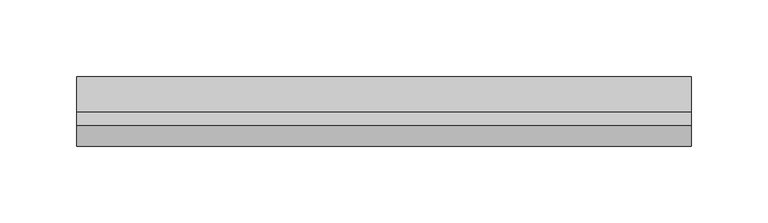
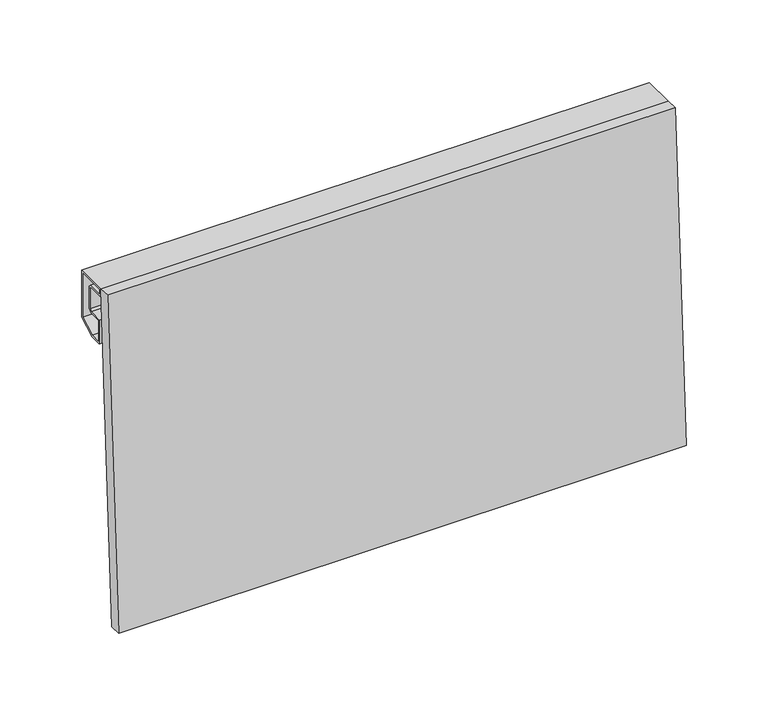
"""IFC4 building model written with IfcOpenShell, lengths in millimetres: plate geometry."""

from ifc_helpers import new_model, si_unit, frame, origin, place, context, project, spatial, polyline, outline, extrude, source, transform, mapped, element, save


def plate_1adcb541(model_context):
    return source(origin(), model_context, "Body", "SweptSolid", [
        extrude(outline(polyline([(0.0, 8.5), (400.0, 8.5), (400.0, 0.0), (0.0, 0.0), (0.0, 8.5)])), frame((200.0, -13.5334089, 0.0), z_axis=(0.0, 0.055379672542005536, 0.9984653683874771), x_axis=(-1.0, 0.0, 0.0)), (0.0, 0.0, 1.0), 244.3750256),
        extrude(outline(polyline([(23.0, 209.1685791), (10.3922729, 202.0), (1.5, 202.0), (1.5, 220.0), (11.5857849, 220.0), (13.0, 221.4142151), (13.0, 236.5857849), (11.5857849, 238.0), (0.0, 238.0), (0.0, 244.0), (23.0, 244.0), (23.0, 209.1685791)]), holes=[polyline([(1.5, 242.5), (1.5, 239.5), (12.2071053, 239.5), (14.5, 237.2071053), (14.5, 220.7928947), (12.2071053, 218.5), (3.0, 218.5), (3.0, 203.5), (9.9956483, 203.5), (21.5, 210.0412151), (21.5, 242.5), (1.5, 242.5)])]), frame((-200.0, 0.0, 0.0), z_axis=(1.0, 0.0, 0.0), x_axis=(0.0, 1.0, 0.0)), (0.0, 0.0, 1.0), 400.0),
    ])


if __name__ == "__main__":
    model = new_model("IFC4")
    model_context = context("Model", 3, world=origin())
    ifc_project = project(units=[si_unit("LENGTHUNIT", "METRE", prefix="MILLI")], contexts=[model_context])
    site = spatial("IfcSite", under=ifc_project)
    building = spatial("IfcBuilding", under=site)
    placement = place(None, origin())
    plate_shape = plate_1adcb541(model_context)
    element("IfcPlate", 1, at=placement, inside=building, context=model_context, shape_type="MappedRepresentation", body=[
        mapped(plate_shape, transform((0.0, 0.0, 0.0), x_axis=(1.0, 0.0, 0.0), y_axis=(0.0, 1.0, 0.0), z_axis=(0.0, 0.0, 1.0))),
    ])
    save(model, "model.ifc")
